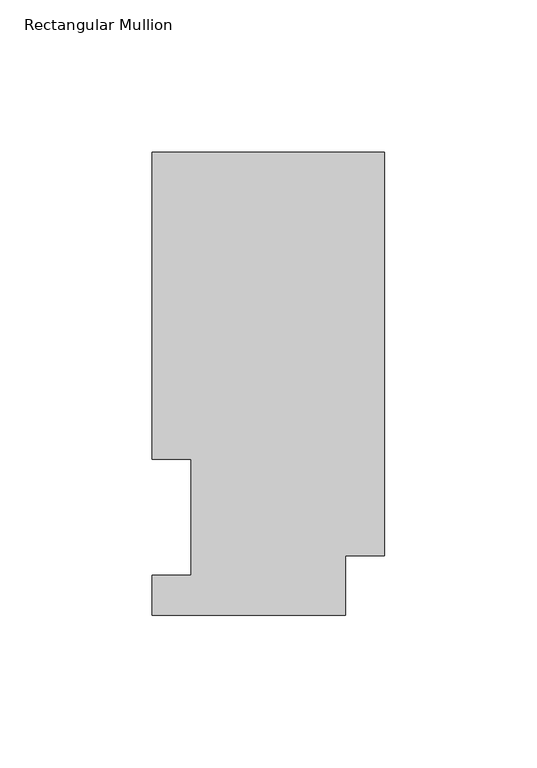
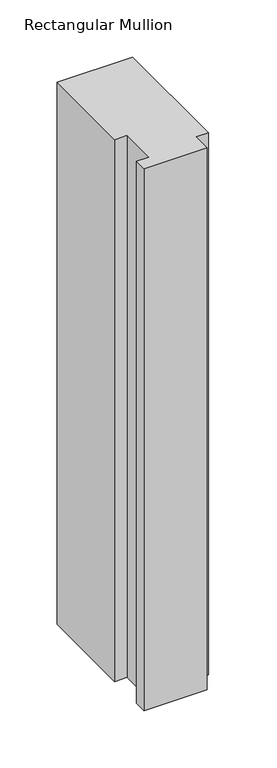
"""IFC4 building model written with IfcOpenShell, lengths in millimetres: member geometry, Rectangular Mullion."""

from ifc_helpers import new_model, si_unit, frame, origin, place, context, project, spatial, polyline, outline, extrude, source, transform, mapped, element, save


def rectangular_mullion_acc48ae6(model_context):
    return source(origin(), model_context, "Body", "SweptSolid", [
        extrude(outline(polyline([(0.0, 190.2458349), (0.0, 57.8864349), (-12.7, 57.8864349), (-12.7, 38.3538349), (-76.1943325, 38.3538349), (-76.1943325, 51.5364349), (-63.5070325, 51.5364349), (-63.5070325, 89.5945313), (-76.2000001, 89.5945312), (-76.2000001, 190.2458349), (0.0, 190.2458349)])), frame((0.0, 0.0, -577.85), z_axis=(0.0, 0.0, 1.0), x_axis=(1.0, 0.0, 0.0)), (0.0, 0.0, 1.0), 577.85),
    ])


if __name__ == "__main__":
    model = new_model("IFC4")
    model_context = context("Model", 3, world=origin())
    ifc_project = project(units=[si_unit("LENGTHUNIT", "METRE", prefix="MILLI")], contexts=[model_context])
    site = spatial("IfcSite", under=ifc_project)
    building = spatial("IfcBuilding", under=site)
    placement = place(None, origin())
    rectangular_mullion_shape = rectangular_mullion_acc48ae6(model_context)
    element("IfcMember", 1, ObjectType="Rectangular Mullion", at=placement, inside=building, context=model_context, shape_type="MappedRepresentation", body=[
        mapped(rectangular_mullion_shape, transform((0.0, 0.0, 0.0), x_axis=(1.0, 0.0, 0.0), y_axis=(0.0, 1.0, 0.0), z_axis=(0.0, 0.0, 1.0))),
    ])
    save(model, "model.ifc")
